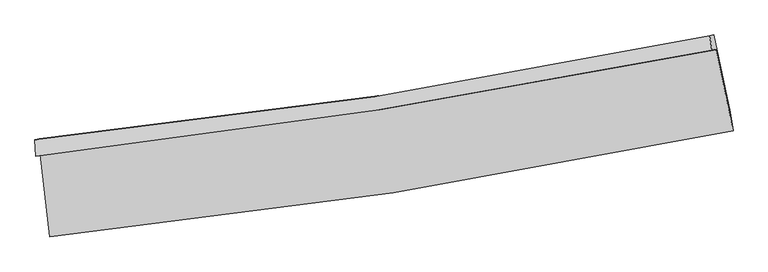
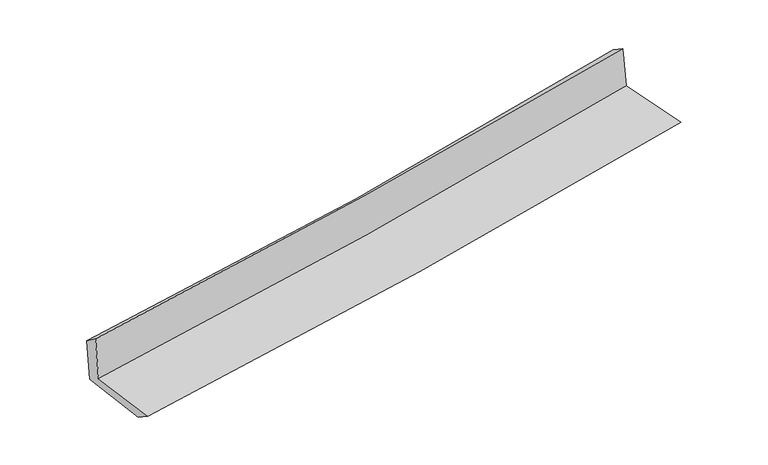
"""IFC4 building model written with IfcOpenShell, lengths in millimetres: proxy geometry."""

from ifc_helpers import new_model, si_unit, frame, origin, place, context, project, spatial, source, transform, mapped, element, save
from ifc_brep_helpers import plane_surface, spline_curve, spline_surface, advanced_brep


def generic_models_4e855c49(model_context):
    return source(origin(), model_context, "Body", "AdvancedBrep", [
        advanced_brep(
        [(-2775.3110888, -1894.0951321, 1623.7394947), (-2696.0620398, -2565.8819875, 1627.0068606), (2851.9157857, -1705.2436306, 2109.2684464), (2714.4792234, -1047.1567899, 2120.7133294), (-2810.4760623, -1908.7278522, 2042.8479766), (2679.9371022, -1051.1587958, 2508.8130804), (-2817.5596779, -1774.7130454, 1943.0822196), (2662.1438531, -930.1547652, 2428.8732232), (-2783.0036314, -1769.2325014, 1543.19848), (2696.1380853, -925.0875053, 2044.3625176), (-2704.1892838, -2426.6298103, 1532.0520551), (2828.2025385, -1553.1085059, 2023.4897248)],
        [
            (0, 1),
            (1, 2, spline_curve(3, [(-2696.0620398, -2565.8819875, 1627.0068606), (-1763.049763871, -2470.69710143, 1719.3296247), (-833.104829507, -2351.153289299, 1805.762200278), (1016.191673095, -2064.040046334, 1966.459529772), (1935.572680214, -1896.704406654, 2040.780816116), (2851.9157857, -1705.2436306, 2109.2684464)], [4, 2, 4], [0.0, 9.22157768927515, 18.398795574552338])),
            (2, 3),
            (3, 0, spline_curve(3, [(2714.4792234, -1047.1567899, 2120.7133294), (1807.595020102, -1228.659836088, 2043.332264668), (897.780472296, -1389.868437348, 1963.333423554), (-932.121234331, -1672.377886461, 1797.700847132), (-1852.236790955, -1793.482065761, 1712.041742836), (-2775.3110888, -1894.0951321, 1623.7394947)], [4, 2, 4], [0.0, 9.177217885277187, 18.398795574552338])),
            (4, 0),
            (3, 5),
            (5, 4, spline_curve(3, [(2679.9371022, -1051.1587958, 2508.8130804), (1772.611583751, -1231.199010006, 2436.16108582), (862.524192593, -1392.556058444, 2361.104096629), (-967.586764534, -1678.593464127, 2205.805701742), (-1887.637094464, -1803.092768032, 2125.540989644), (-2810.4760623, -1908.7278522, 2042.8479766)], [4, 2, 4], [0.0, 9.12852969762789, 18.30118385576641])),
            (6, 4),
            (5, 7),
            (7, 6, spline_curve(3, [(2662.1438531, -930.1547652, 2428.8732232), (1758.690391383, -1119.636276454, 2349.804070426), (851.431867273, -1284.646345623, 2269.886564814), (-975.099102204, -1566.402918589, 2107.964451462), (-1894.40842211, -1682.912276451, 2025.951622349), (-2817.5596779, -1774.7130454, 1943.0822196)], [4, 2, 4], [0.0, 9.119859300311358, 18.28380115114163])),
            (8, 6),
            (7, 9),
            (9, 8, spline_curve(3, [(2696.1380853, -925.0875053, 2044.3625176), (1792.890312272, -1114.378790828, 1961.193913766), (885.781473052, -1279.259243351, 1877.946824753), (-940.561682761, -1560.8774675, 1710.892906054), (-1859.833415662, -1677.378680556, 1627.085316044), (-2783.0036314, -1769.2325014, 1543.19848)], [4, 2, 4], [0.0, 9.112459436104318, 18.26896565409593])),
            (10, 8),
            (9, 11),
            (11, 10, spline_curve(3, [(2828.2025385, -1553.1085059, 2023.4897248), (1914.488867351, -1741.284568553, 1946.980618772), (997.718325329, -1908.042300223, 1867.877933651), (-846.382658659, -2199.423628034, 1704.090510732), (-1773.742724053, -2323.83966421, 1619.380639347), (-2704.1892838, -2426.6298103, 1532.0520551)], [4, 2, 4], [0.0, 9.15843866589781, 18.361146362914337])),
            (1, 10),
            (11, 2),
        ],
        [
            spline_surface(3, 3, [[(-2775.3110888, -1894.0951321, 1623.7394947), (-1852.236790965, -1793.48206563, 1712.04174295), (-932.121234443, -1672.37788636, 1797.700846991), (897.780472408, -1389.868437449, 1963.333423695), (1807.595019981, -1228.659835983, 2043.332264575), (2714.4792234, -1047.1567899, 2120.7133294)], [(-2748.894739146, -2118.024083912, 1624.828616671), (-1822.507781993, -2019.220410949, 1714.471036914), (-899.115766091, -1898.636353964, 1800.38796477), (937.25087258, -1614.592307123, 1964.375459073), (1850.254240033, -1451.341359519, 2042.481781822), (2760.29141083, -1266.519070154, 2116.898368427)], [(-2722.478389454, -2341.953035688, 1625.917738629), (-1792.778772983, -2244.958756231, 1716.900330864), (-866.110297714, -2124.894821563, 1803.075082495), (976.721272779, -1839.316176791, 1965.417494397), (1892.913460096, -1674.022882992, 2041.63129899), (2806.10359827, -1485.881350346, 2113.083407373)], [(-2696.0620398, -2565.8819875, 1627.0068606), (-1763.04976401, -2470.69710155, 1719.329624827), (-833.104829363, -2351.153289168, 1805.762200275), (1016.191672951, -2064.040046465, 1966.459529775), (1935.572680148, -1896.704406528, 2040.780816238), (2851.9157857, -1705.2436306, 2109.2684464)]], [4, 4], [4, 2, 4], [0.0, 2.247965033052234], [0.0, 9.22157768927515, 18.398795574552338]),
            spline_surface(3, 3, [[(-2810.4760623, -1908.7278522, 2042.8479766), (-1887.637094543, -1803.092767969, 2125.5409896), (-967.58676442, -1678.593464206, 2205.805701643), (862.524192479, -1392.556058365, 2361.104096728), (1772.611583873, -1231.199010016, 2436.161085957), (2679.9371022, -1051.1587958, 2508.8130804)], [(-2798.754404473, -1903.850278817, 1903.14514929), (-1875.836993357, -1799.889200506, 1987.707907373), (-955.7649211, -1676.521604945, 2069.770750083), (874.276285783, -1391.660184747, 2228.513872375), (1784.27272923, -1230.352618667, 2305.218145478), (2691.451142588, -1049.824793829, 2379.446496715)], [(-2787.032746627, -1898.972705483, 1763.44232201), (-1864.036892151, -1796.685633093, 1849.874825177), (-943.943077763, -1674.449745621, 1933.735798551), (886.028379104, -1390.764311067, 2095.923648048), (1795.933874624, -1229.506227332, 2174.275205053), (2702.965183012, -1048.490791871, 2250.079913085)], [(-2775.3110888, -1894.0951321, 1623.7394947), (-1852.236790965, -1793.48206563, 1712.04174295), (-932.121234443, -1672.37788636, 1797.700846991), (897.780472408, -1389.868437449, 1963.333423695), (1807.595019981, -1228.659835983, 2043.332264575), (2714.4792234, -1047.1567899, 2120.7133294)]], [4, 4], [4, 2, 4], [0.0, 1.3272173240317626], [0.0, 9.17265415813852, 18.30118385576641]),
            spline_surface(3, 3, [[(-2817.5596779, -1774.7130454, 1943.0822196), (-1894.408421994, -1682.91227639, 2025.951622446), (-975.099102356, -1566.402918671, 2107.964451461), (851.431867424, -1284.646345542, 2269.886564814), (1758.690391487, -1119.636276564, 2349.804070363), (2662.1438531, -930.1547652, 2428.8732232)], [(-2815.198472702, -1819.384647668, 1976.33747193), (-1892.151312846, -1722.972440251, 2059.148078161), (-972.594989688, -1603.799767172, 2140.578201521), (855.129309132, -1320.616249806, 2300.292408785), (1763.330788955, -1156.82385439, 2378.589742238), (2668.07493614, -970.489442075, 2455.519842277)], [(-2812.837267498, -1864.056249932, 2009.59272427), (-1889.894203692, -1763.032604108, 2092.344533885), (-970.090877087, -1641.196615705, 2173.191951583), (858.826750772, -1356.586154102, 2330.698252757), (1767.971186404, -1194.01143219, 2407.375414083), (2674.00601916, -1010.824118925, 2482.166461323)], [(-2810.4760623, -1908.7278522, 2042.8479766), (-1887.637094543, -1803.092767969, 2125.5409896), (-967.58676442, -1678.593464206, 2205.805701643), (862.524192479, -1392.556058365, 2361.104096728), (1772.611583873, -1231.199010016, 2436.161085957), (2679.9371022, -1051.1587958, 2508.8130804)]], [4, 4], [4, 2, 4], [0.0, 0.47700431660859727], [0.0, 9.163941850830273, 18.28380115114163]),
            spline_surface(3, 3, [[(-2783.0036314, -1769.2325014, 1543.19848), (-1859.833415511, -1677.378680671, 1627.085315996), (-940.561682676, -1560.877467627, 1710.892906105), (885.781472967, -1279.259243225, 1877.946824702), (1792.890312366, -1114.378790913, 1961.193913837), (2696.1380853, -925.0875053, 2044.3625176)], [(-2794.522313547, -1771.0593494, 1676.493059863), (-1871.358417653, -1679.223212577, 1760.040751476), (-952.074155901, -1562.719284629, 1843.250087883), (874.331604454, -1281.054943984, 2008.593404733), (1781.490338743, -1116.131286117, 2090.730632681), (2684.80667457, -926.77659192, 2172.532752802)], [(-2806.040995753, -1772.8861974, 1809.787639737), (-1882.883419853, -1681.067744484, 1892.996186966), (-963.58662913, -1564.561101669, 1975.607269682), (862.881735937, -1282.850644782, 2139.239984783), (1770.09036511, -1117.88378136, 2220.267351519), (2673.47526383, -928.46567858, 2300.702987998)], [(-2817.5596779, -1774.7130454, 1943.0822196), (-1894.408421994, -1682.91227639, 2025.951622446), (-975.099102356, -1566.402918671, 2107.964451461), (851.431867424, -1284.646345542, 2269.886564814), (1758.690391487, -1119.636276564, 2349.804070363), (2662.1438531, -930.1547652, 2428.8732232)]], [4, 4], [4, 2, 4], [0.0, 1.299397402800342], [0.0, 9.15650621799161, 18.26896565409593]),
            spline_surface(3, 3, [[(-2704.1892838, -2426.6298103, 1532.0520551), (-1773.742724129, -2323.839664162, 1619.38063936), (-846.3826587, -2199.423627924, 1704.090510759), (997.71832537, -1908.042300333, 1867.877933624), (1914.48886742, -1741.28456842, 1946.980618794), (2828.2025385, -1553.1085059, 2023.4897248)], [(-2730.460733019, -2207.497374011, 1535.767530066), (-1802.439621275, -2108.352669676, 1621.948864904), (-877.775666714, -1986.574907855, 1706.357975869), (960.406041214, -1698.447947994, 1871.234230645), (1873.956015739, -1532.315975914, 1951.718383788), (2784.181054104, -1343.768172363, 2030.447322379)], [(-2756.732182181, -1988.364937689, 1539.483005034), (-1831.136518365, -1892.865675157, 1624.517090452), (-909.168674662, -1773.726187695, 1708.625440995), (923.093757123, -1488.853595564, 1874.590527681), (1833.423164047, -1323.347383418, 1956.456148843), (2740.159569696, -1134.427838837, 2037.404920021)], [(-2783.0036314, -1769.2325014, 1543.19848), (-1859.833415511, -1677.378680671, 1627.085315996), (-940.561682676, -1560.877467627, 1710.892906105), (885.781472967, -1279.259243225, 1877.946824702), (1792.890312366, -1114.378790913, 1961.193913837), (2696.1380853, -925.0875053, 2044.3625176)]], [4, 4], [4, 2, 4], [0.0, 2.106503313727952], [0.0, 9.202707697016526, 18.361146362914337]),
            spline_surface(3, 3, [[(-2696.0620398, -2565.8819875, 1627.0068606), (-1763.04976401, -2470.69710155, 1719.329624827), (-833.104829363, -2351.153289168, 1805.762200275), (1016.191672951, -2064.040046465, 1966.459529775), (1935.572680148, -1896.704406528, 2040.780816238), (2851.9157857, -1705.2436306, 2109.2684464)], [(-2698.771121114, -2519.464595092, 1595.35525878), (-1766.61408403, -2421.744622413, 1686.013296351), (-837.530772463, -2300.57673539, 1771.871637106), (1010.033890437, -2012.040797725, 1933.598997728), (1928.544742575, -1844.897793817, 2009.514083756), (2844.011369969, -1654.531922358, 2080.675539199)], [(-2701.480202486, -2473.047202708, 1563.70365692), (-1770.178404109, -2372.792143299, 1652.696967836), (-841.9567156, -2250.000181701, 1737.981073927), (1003.876107885, -1960.041549073, 1900.738465671), (1921.516804994, -1793.091181131, 1978.247351276), (2836.106954231, -1603.820214142, 2052.082632001)], [(-2704.1892838, -2426.6298103, 1532.0520551), (-1773.742724129, -2323.839664162, 1619.38063936), (-846.3826587, -2199.423627924, 1704.090510759), (997.71832537, -1908.042300333, 1867.877933624), (1914.48886742, -1741.28456842, 1946.980618794), (2828.2025385, -1553.1085059, 2023.4897248)]], [4, 4], [4, 2, 4], [0.0, 0.6045059479474708], [0.0, 9.259156010601798, 18.473771449117482]),
            plane_surface(frame((2738.8027647, -1201.9849988, 2205.9200536), z_axis=(0.9753140073719733, 0.20214119871135786, 0.08889051022217066), x_axis=(-0.08805798110794232, -0.013126128884593352, 0.996028863388857))),
            plane_surface(frame((-2764.4336307, -2056.5467215, 1718.6545145), z_axis=(-0.9892904223265155, -0.11712777027464473, -0.08709503845521092), x_axis=(-0.1171538133434227, 0.9931020359061589, -0.004830144732509426))),
        ],
        [
            (0, [[1, 2, 3, 4]]),
            (1, [[5, -4, 6, 7]]),
            (2, [[8, -7, 9, 10]]),
            (3, [[11, -10, 12, 13]]),
            (4, [[14, -13, 15, 16]]),
            (5, [[17, -16, 18, -2]]),
            (6, [[-12, -9, -6, -3, -18, -15]]),
            (7, [[-1, -5, -8, -11, -14, -17]]),
        ],
    ),
    ])


if __name__ == "__main__":
    model = new_model("IFC4")
    model_context = context("Model", 3, world=origin())
    ifc_project = project(units=[si_unit("LENGTHUNIT", "METRE", prefix="MILLI")], contexts=[model_context])
    site = spatial("IfcSite", under=ifc_project)
    building = spatial("IfcBuilding", under=site)
    placement = place(None, origin())
    generic_models_shape = generic_models_4e855c49(model_context)
    element("IfcBuildingElementProxy", 1, Name="Generic Models", at=placement, inside=building, context=model_context, shape_type="MappedRepresentation", body=[
        mapped(generic_models_shape, transform((0.0, 0.0, 0.0), x_axis=(1.0, 0.0, 0.0), y_axis=(0.0, 1.0, 0.0), z_axis=(0.0, 0.0, 1.0))),
    ])
    save(model, "model.ifc")
